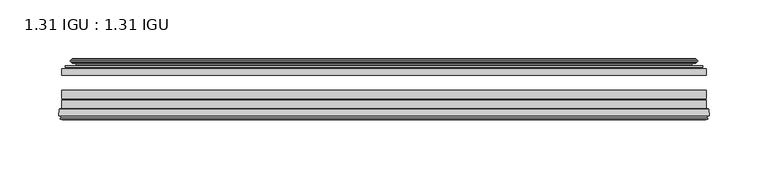
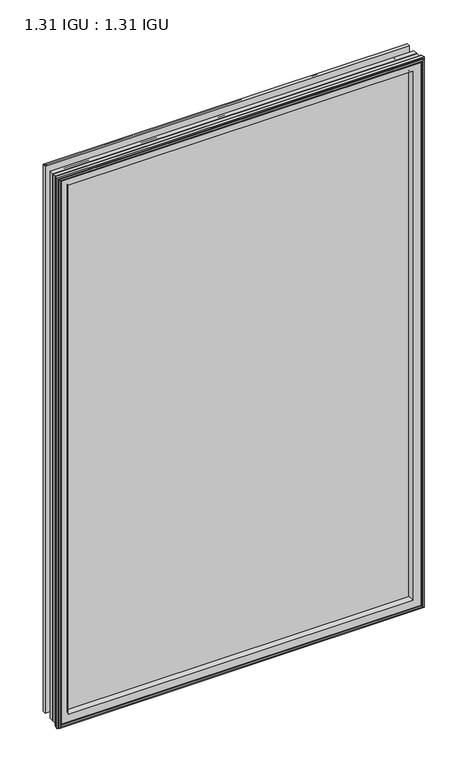
"""IFC4 building model written with IfcOpenShell, lengths in millimetres: plate geometry, 1.31 IGU : 1.31 IGU."""

from ifc_helpers import new_model, si_unit, frame, origin, place, context, project, spatial, polyline, ellipse_curve, outline, extrude, source, transform, mapped, element, save
from ifc_brep_helpers import plane_surface, cylinder_surface, revolved_surface, advanced_brep


def plate_1_31_igu_1_31_igu_84eb48ab(model_context):
    return source(origin(), model_context, "Body", "SolidModel", [
        extrude(outline(polyline([(274.6325649, -44.8960875), (274.6325649, -50.4332875), (-274.6375, -50.4332875), (-274.6375, -44.8960875), (274.6325649, -44.8960875)])), frame((0.0, 0.0, -14.2875), z_axis=(0.0, 0.0, 1.0), x_axis=(1.0, 0.0, 0.0)), (0.0, 0.0, 1.0), 873.1260851),
        extrude(outline(polyline([(-274.6375, -78.7796875), (-274.6375, -71.7692875), (274.6325649, -71.7692875), (274.6325649, -78.7796875), (-274.6375, -78.7796875)])), frame((0.0, 0.0, -14.2875), z_axis=(0.0, 0.0, 1.0), x_axis=(1.0, 0.0, 0.0)), (0.0, 0.0, 1.0), 873.1260851),
        extrude(outline(polyline([(-274.6375, -70.2452875), (-274.6375, -63.1332875), (274.6325649, -63.1332875), (274.6325649, -70.2452875), (-274.6375, -70.2452875)])), frame((0.0, 0.0, -14.2875), z_axis=(0.0, 0.0, 1.0), x_axis=(1.0, 0.0, 0.0)), (0.0, 0.0, 1.0), 873.1260851),
        advanced_brep(
        [(-277.1844039, -85.1296875, 861.385489), (-276.4896201, -79.4711276, 860.6907053), (-276.4896201, -79.4711276, -16.1396201), (-277.1844039, -85.1296875, -16.8344039), (-274.7968039, -87.1207518, 858.997889), (-275.2540039, -85.1296875, 859.455089), (-275.2540039, -85.1296875, -14.9040039), (-274.7968039, -87.1207518, -14.4468039), (-275.7981658, -86.8524376, 859.9992509), (-275.7981658, -86.8524376, -15.4481658), (-276.0414039, -87.7602147, 860.242489), (-276.0414039, -87.7602147, -15.6914039), (-274.0094039, -88.3046875, 858.210489), (-274.0094039, -88.3046875, -13.6594039), (-271.9774039, -87.7602147, 856.178489), (-271.9774039, -87.7602147, -11.6274039), (-272.2206421, -86.8524376, 856.4217272), (-272.2206421, -86.8524376, -11.8706421), (-273.2220039, -87.1207518, 857.423089), (-273.2220039, -87.1207518, -12.8720039), (-272.7648039, -85.1296875, 856.965889), (-272.7648039, -85.1296875, -12.4148039), (-275.7080893, -78.7796875, 859.9091744), (-275.7080893, -78.7796875, -15.3580893), (276.4896201, -79.4711276, -16.1396201), (277.1844039, -85.1296875, -16.8344039), (275.2540039, -85.1296875, -14.9040039), (274.7968039, -87.1207518, -14.4468039), (275.7981658, -86.8524376, -15.4481658), (276.0414039, -87.7602147, -15.6914039), (274.0094039, -88.3046875, -13.6594039), (271.9774039, -87.7602147, -11.6274039), (272.2206421, -86.8524376, -11.8706421), (273.2220039, -87.1207518, -12.8720039), (272.7648039, -85.1296875, -12.4148039), (275.7080893, -78.7796875, -15.3580893), (276.4896201, -79.4711276, 860.6907053), (277.1844039, -85.1296875, 861.385489), (275.2540039, -85.1296875, 859.455089), (274.7968039, -87.1207518, 858.997889), (275.7981658, -86.8524376, 859.9992509), (276.0414039, -87.7602147, 860.242489), (274.0094039, -88.3046875, 858.210489), (271.9774039, -87.7602147, 856.178489), (272.2206421, -86.8524376, 856.4217272), (273.2220039, -87.1207518, 857.423089), (272.7648039, -85.1296875, 856.965889), (275.7080893, -78.7796875, 859.9091744), (-260.3622131, -85.1296875, 844.5632982), (260.3622131, -85.1296875, 844.5632982), (260.3622131, -85.1296875, -0.0122131), (-260.3622131, -85.1296875, -0.0122131), (-257.0459362, -78.7796875, 3.3040638), (257.0459362, -78.7796875, 3.3040638), (257.0459362, -78.7796875, 841.2470213), (-257.0459362, -78.7796875, 841.2470213)],
        [
            (0, 1),
            (1, 2),
            (2, 3),
            (3, 0),
            (4, 5),
            (5, 6),
            (6, 7),
            (7, 4),
            (8, 4),
            (7, 9),
            (9, 8),
            (10, 8),
            (9, 11),
            (11, 10),
            (12, 10),
            (11, 13),
            (13, 12),
            (14, 12),
            (13, 15),
            (15, 14),
            (16, 14),
            (15, 17),
            (17, 16),
            (18, 16),
            (17, 19),
            (19, 18),
            (20, 18),
            (19, 21),
            (21, 20),
            (1, 22, ellipse_curve(frame((-275.7080893, -79.5670875, 859.9091744), z_axis=(-0.7071067811865475, 0.0, -0.7071067811865475), x_axis=(-0.7071067811865474, 0.0, 0.7071067811865476)), 1.1135518, 0.7874)),
            (22, 23),
            (23, 2, ellipse_curve(frame((-275.7080893, -79.5670875, -15.3580893), z_axis=(-0.7071067811865475, 0.0, 0.7071067811865475), x_axis=(0.7071067811865474, 0.0, 0.7071067811865476)), 1.1135518, 0.7874)),
            (2, 24),
            (24, 25),
            (25, 3),
            (6, 26),
            (26, 27),
            (27, 7),
            (27, 28),
            (28, 9),
            (28, 29),
            (29, 11),
            (29, 30),
            (30, 13),
            (30, 31),
            (31, 15),
            (31, 32),
            (32, 17),
            (32, 33),
            (33, 19),
            (33, 34),
            (34, 21),
            (23, 35),
            (35, 24, ellipse_curve(frame((275.7080893, -79.5670875, -15.3580893), z_axis=(-0.7071067811865475, 0.0, -0.7071067811865475), x_axis=(-0.7071067811865476, 0.0, 0.7071067811865474)), 1.1135518, 0.7874)),
            (24, 36),
            (36, 37),
            (37, 25),
            (26, 38),
            (38, 39),
            (39, 27),
            (39, 40),
            (40, 28),
            (40, 41),
            (41, 29),
            (41, 42),
            (42, 30),
            (42, 43),
            (43, 31),
            (43, 44),
            (44, 32),
            (44, 45),
            (45, 33),
            (45, 46),
            (46, 34),
            (35, 47),
            (47, 36, ellipse_curve(frame((275.7080893, -79.5670875, 859.9091744), z_axis=(0.7071067811865475, 0.0, -0.7071067811865475), x_axis=(-0.7071067811865474, 0.0, -0.7071067811865476)), 1.1135518, 0.7874)),
            (36, 1),
            (0, 37),
            (5, 38),
            (4, 39),
            (8, 40),
            (10, 41),
            (12, 42),
            (14, 43),
            (16, 44),
            (18, 45),
            (20, 46),
            (48, 49),
            (49, 50),
            (50, 51),
            (51, 48),
            (22, 47),
            (52, 53),
            (53, 54),
            (54, 55),
            (55, 52),
            (55, 48, ellipse_curve(frame((-249.1129182, -86.963653, 833.3140033), z_axis=(0.7071067811865475, 0.0, 0.7071067811865475), x_axis=(0.7071067811865474, 0.0, -0.7071067811865476)), 16.118937, 11.3978097)),
            (51, 52, ellipse_curve(frame((-249.1129182, -86.963653, 11.2370818), z_axis=(0.7071067811865475, 0.0, -0.7071067811865475), x_axis=(-0.7071067811865474, 0.0, -0.7071067811865476)), 16.118937, 11.3978097)),
            (50, 53, ellipse_curve(frame((249.1129182, -86.963653, 11.2370818), z_axis=(0.7071067811865475, 0.0, 0.7071067811865475), x_axis=(0.7071067811865476, 0.0, -0.7071067811865474)), 16.118937, 11.3978097)),
            (49, 54, ellipse_curve(frame((249.1129182, -86.963653, 833.3140033), z_axis=(-0.7071067811865475, 0.0, 0.7071067811865475), x_axis=(0.7071067811865474, 0.0, 0.7071067811865476)), 16.118937, 11.3978097)),
        ],
        [
            plane_surface(frame((-276.4896201, -79.4711276, 860.6907053), z_axis=(-0.9925461516413008, 0.12186934340532068, 0.0), x_axis=(0.0, 0.0, -1.0))),
            plane_surface(frame((-275.2540039, -85.1296875, 859.455089), z_axis=(-0.9746347637895997, -0.22380142361654332, 0.0), x_axis=(0.0, 0.0, -1.0))),
            plane_surface(frame((-274.7968039, -87.1207518, 858.997889), z_axis=(0.25881904510266784, 0.9659258262890289, 0.0), x_axis=(0.0, 0.0, -1.0))),
            plane_surface(frame((-275.7981658, -86.8524376, 859.9992509), z_axis=(-0.9659258262890449, 0.2588190451026083, 0.0), x_axis=(0.0, 0.0, -1.0))),
            plane_surface(frame((-276.0414039, -87.7602147, 860.242489), z_axis=(-0.2588190451025689, -0.9659258262890554, 0.0), x_axis=(0.0, 0.0, -1.0))),
            plane_surface(frame((-274.0094039, -88.3046875, 858.210489), z_axis=(0.25881904510241466, -0.9659258262890968, 0.0), x_axis=(0.0, 0.0, -1.0))),
            plane_surface(frame((-271.9774039, -87.7602147, 856.178489), z_axis=(0.9659258262890272, 0.25881904510267406, 0.0), x_axis=(0.0, 0.0, -1.0))),
            plane_surface(frame((-272.2206421, -86.8524376, 856.4217272), z_axis=(-0.25881904510234177, 0.9659258262891163, 0.0), x_axis=(0.0, 0.0, -1.0))),
            plane_surface(frame((-273.2220039, -87.1207518, 857.423089), z_axis=(0.9746347637895936, -0.2238014236165695, 0.0), x_axis=(0.0, 0.0, -1.0))),
            cylinder_surface(frame((-275.7080893, -79.5670875, 876.3010851), z_axis=(0.0, 0.0, 1.0), x_axis=(-1.0, 0.0, 0.0)), 0.7874),
            plane_surface(frame((-276.4896201, -79.4711276, -16.1396201), z_axis=(0.0, 0.12186934340531747, -0.9925461516413012), x_axis=(1.0, 0.0, 0.0))),
            plane_surface(frame((-275.2540039, -85.1296875, -14.9040039), z_axis=(0.0, -0.22380142361654648, -0.9746347637895989), x_axis=(1.0, 0.0, 0.0))),
            plane_surface(frame((-274.7968039, -87.1207518, -14.4468039), z_axis=(0.0, 0.9659258262890298, 0.25881904510266474), x_axis=(1.0, 0.0, 0.0))),
            plane_surface(frame((-275.7981658, -86.8524376, -15.4481658), z_axis=(0.0, 0.25881904510260517, -0.9659258262890458), x_axis=(1.0, 0.0, 0.0))),
            plane_surface(frame((-276.0414039, -87.7602147, -15.6914039), z_axis=(0.0, -0.9659258262890563, -0.2588190451025658), x_axis=(1.0, 0.0, 0.0))),
            plane_surface(frame((-274.0094039, -88.3046875, -13.6594039), z_axis=(0.0, -0.965925826289096, 0.25881904510241777), x_axis=(1.0, 0.0, 0.0))),
            plane_surface(frame((-271.9774039, -87.7602147, -11.6274039), z_axis=(0.0, 0.2588190451026772, 0.9659258262890265), x_axis=(1.0, 0.0, 0.0))),
            plane_surface(frame((-272.2206421, -86.8524376, -11.8706421), z_axis=(0.0, 0.9659258262891154, -0.2588190451023449), x_axis=(1.0, 0.0, 0.0))),
            plane_surface(frame((-273.2220039, -87.1207518, -12.8720039), z_axis=(0.0, -0.22380142361656633, 0.9746347637895943), x_axis=(1.0, 0.0, 0.0))),
            cylinder_surface(frame((-292.1, -79.5670875, -15.3580893), z_axis=(-1.0, 0.0, 0.0), x_axis=(0.0, 0.0, -1.0)), 0.7874),
            plane_surface(frame((276.4896201, -79.4711276, -16.1396201), z_axis=(0.9925461516413017, 0.12186934340531425, 0.0), x_axis=(0.0, 0.0, 1.0))),
            plane_surface(frame((275.2540039, -85.1296875, -14.9040039), z_axis=(0.9746347637895981, -0.22380142361654964, 0.0), x_axis=(0.0, 0.0, 1.0))),
            plane_surface(frame((274.7968039, -87.1207518, -14.4468039), z_axis=(-0.2588190451026616, 0.9659258262890307, 0.0), x_axis=(0.0, 0.0, 1.0))),
            plane_surface(frame((275.7981658, -86.8524376, -15.4481658), z_axis=(0.9659258262890467, 0.25881904510260206, 0.0), x_axis=(0.0, 0.0, 1.0))),
            plane_surface(frame((276.0414039, -87.7602147, -15.6914039), z_axis=(0.2588190451025627, -0.9659258262890572, 0.0), x_axis=(0.0, 0.0, 1.0))),
            plane_surface(frame((274.0094039, -88.3046875, -13.6594039), z_axis=(-0.2588190451024209, -0.9659258262890951, 0.0), x_axis=(0.0, 0.0, 1.0))),
            plane_surface(frame((271.9774039, -87.7602147, -11.6274039), z_axis=(-0.9659258262890256, 0.25881904510268033, 0.0), x_axis=(0.0, 0.0, 1.0))),
            plane_surface(frame((272.2206421, -86.8524376, -11.8706421), z_axis=(0.25881904510234804, 0.9659258262891146, 0.0), x_axis=(0.0, 0.0, 1.0))),
            plane_surface(frame((273.2220039, -87.1207518, -12.8720039), z_axis=(-0.9746347637895951, -0.22380142361656316, 0.0), x_axis=(0.0, 0.0, 1.0))),
            cylinder_surface(frame((275.7080893, -79.5670875, -31.75), z_axis=(0.0, 0.0, -1.0), x_axis=(1.0, 0.0, 0.0)), 0.7874),
            plane_surface(frame((276.4896201, -79.4711276, 860.6907053), z_axis=(0.0, 0.12186934340531747, 0.9925461516413012), x_axis=(-1.0, 0.0, 0.0))),
            plane_surface(frame((277.1844039, -85.1296875, 861.385489), z_axis=(0.0, -1.0, 0.0), x_axis=(-1.0, 0.0, 0.0))),
            plane_surface(frame((275.2540039, -85.1296875, 859.455089), z_axis=(0.0, -0.22380142361654648, 0.9746347637895989), x_axis=(-1.0, 0.0, 0.0))),
            plane_surface(frame((274.7968039, -87.1207518, 858.997889), z_axis=(0.0, 0.9659258262890298, -0.25881904510266474), x_axis=(-1.0, 0.0, 0.0))),
            plane_surface(frame((275.7981658, -86.8524376, 859.9992509), z_axis=(0.0, 0.25881904510260517, 0.9659258262890458), x_axis=(-1.0, 0.0, 0.0))),
            plane_surface(frame((276.0414039, -87.7602147, 860.242489), z_axis=(0.0, -0.9659258262890563, 0.2588190451025658), x_axis=(-1.0, 0.0, 0.0))),
            plane_surface(frame((274.0094039, -88.3046875, 858.210489), z_axis=(0.0, -0.965925826289096, -0.25881904510241777), x_axis=(-1.0, 0.0, 0.0))),
            plane_surface(frame((271.9774039, -87.7602147, 856.178489), z_axis=(0.0, 0.2588190451026772, -0.9659258262890265), x_axis=(-1.0, 0.0, 0.0))),
            plane_surface(frame((272.2206421, -86.8524376, 856.4217272), z_axis=(0.0, 0.9659258262891155, 0.25881904510234494), x_axis=(-1.0, 0.0, 0.0))),
            plane_surface(frame((273.2220039, -87.1207518, 857.423089), z_axis=(0.0, -0.22380142361656633, -0.9746347637895943), x_axis=(-1.0, 0.0, 0.0))),
            plane_surface(frame((272.7648039, -85.1296875, 856.965889), z_axis=(0.0, -1.0, 0.0), x_axis=(-1.0, 0.0, 0.0))),
            plane_surface(frame((257.0459362, -78.7796875, 841.2470213), z_axis=(0.0, 1.0, 0.0), x_axis=(-1.0, 0.0, 0.0))),
            cylinder_surface(frame((292.1, -79.5670875, 859.9091744), z_axis=(1.0, 0.0, 0.0), x_axis=(0.0, 0.0, 1.0)), 0.7874),
            revolved_surface(polyline([(-260.5107279, -86.963653, -0.1607278582187064), (-260.5107279, -86.963653, 844.7118129582187)]), (-249.1129182, -86.963653, 876.3010851), (0.0, 0.0, -1.0)),
            revolved_surface(polyline([(260.51072785821873, -86.963653, -0.16072789999999948), (-260.51072785821873, -86.963653, -0.16072789999999948)]), (-292.1, -86.963653, 11.2370818), (1.0, 0.0, 0.0)),
            revolved_surface(polyline([(260.5107279, -86.963653, 844.7118129582187), (260.5107279, -86.963653, -0.16072785821874191)]), (249.1129182, -86.963653, -31.75), (0.0, 0.0, 1.0)),
            revolved_surface(polyline([(-260.51072785821873, -86.963653, 844.711813), (260.51072785821873, -86.963653, 844.711813)]), (292.1, -86.963653, 833.3140033), (-1.0, 0.0, 0.0)),
        ],
        [
            (0, [[1, 2, 3, 4]]),
            (1, [[5, 6, 7, 8]]),
            (2, [[9, -8, 10, 11]]),
            (3, [[12, -11, 13, 14]]),
            (4, [[15, -14, 16, 17]]),
            (5, [[18, -17, 19, 20]]),
            (6, [[21, -20, 22, 23]]),
            (7, [[24, -23, 25, 26]]),
            (8, [[27, -26, 28, 29]]),
            (9, [[30, 31, 32, -2]]),
            (10, [[-3, 33, 34, 35]]),
            (11, [[-7, 36, 37, 38]]),
            (12, [[-10, -38, 39, 40]]),
            (13, [[-13, -40, 41, 42]]),
            (14, [[-16, -42, 43, 44]]),
            (15, [[-19, -44, 45, 46]]),
            (16, [[-22, -46, 47, 48]]),
            (17, [[-25, -48, 49, 50]]),
            (18, [[-28, -50, 51, 52]]),
            (19, [[-32, 53, 54, -33]]),
            (20, [[-34, 55, 56, 57]]),
            (21, [[-37, 58, 59, 60]]),
            (22, [[-39, -60, 61, 62]]),
            (23, [[-41, -62, 63, 64]]),
            (24, [[-43, -64, 65, 66]]),
            (25, [[-45, -66, 67, 68]]),
            (26, [[-47, -68, 69, 70]]),
            (27, [[-49, -70, 71, 72]]),
            (28, [[-51, -72, 73, 74]]),
            (29, [[-54, 75, 76, -55]]),
            (30, [[-56, 77, -1, 78]]),
            (31, [[-35, -57, -78, -4], [79, -58, -36, -6]]),
            (32, [[-59, -79, -5, 80]]),
            (33, [[-61, -80, -9, 81]]),
            (34, [[-63, -81, -12, 82]]),
            (35, [[-65, -82, -15, 83]]),
            (36, [[-67, -83, -18, 84]]),
            (37, [[-69, -84, -21, 85]]),
            (38, [[-71, -85, -24, 86]]),
            (39, [[-73, -86, -27, 87]]),
            (40, [[-52, -74, -87, -29], [88, 89, 90, 91]]),
            (41, [[92, -75, -53, -31], [93, 94, 95, 96]]),
            (42, [[-76, -92, -30, -77]]),
            (43, [[97, -91, 98, -96]]),
            (44, [[-98, -90, 99, -93]]),
            (45, [[-99, -89, 100, -94]]),
            (46, [[-100, -88, -97, -95]]),
        ],
    ),
        advanced_brep(
        [(-265.2921755, -37.7373382, 849.4932606), (-260.3505426, -36.3108875, 844.5516277), (-260.3505426, -36.3108875, -0.0005426), (-265.2921755, -37.7373382, -4.9421755), (-265.1270702, -36.9605789, 849.3281553), (-265.1270702, -36.9605789, -4.7770702), (-265.7225559, -36.4771203, 849.923641), (-265.7225559, -36.4771203, -5.3725559), (-266.9871917, -37.766076, 851.1882768), (-266.9871917, -37.766076, -6.6371917), (-266.9763749, -38.8797852, 851.17746), (-266.9763749, -38.8797852, -6.6263749), (-265.6948897, -40.1361433, 849.8959748), (-265.6948897, -40.1361433, -5.3448897), (-265.0898829, -39.649943, 849.290968), (-265.0898829, -39.649943, -4.7398829), (-265.6438972, -39.0959287, 849.8449823), (-265.6438972, -39.0959287, -5.2938972), (-263.3580887, -38.7029881, 847.5591739), (-263.3580887, -38.7029881, -3.0080887), (-261.8990157, -40.2107282, 846.1001008), (-261.8990157, -40.2107282, -1.5490157), (-262.1955976, -41.651269, 846.3966827), (-262.1955976, -41.651269, -1.8455976), (-262.9668221, -42.2798875, 847.1679072), (-262.9668221, -42.2798875, -2.6168221), (-271.2707984, -43.4871542, 855.4718835), (-270.9955969, -42.2798875, 855.1966821), (-270.9955969, -42.2798875, -10.6455969), (-271.2707984, -43.4871542, -10.9207984), (-267.8132297, -44.8960875, 852.0143149), (-267.8132297, -44.8960875, -7.4632297), (-256.7156059, -44.023302, 840.9166911), (-257.0709439, -44.8960875, 841.272029), (-257.0709439, -44.8960875, 3.2790561), (-256.7156059, -44.023302, 3.6343941), (-257.386804, -43.3681812, 841.5878891), (-257.386804, -43.3681812, 2.963196), (-259.0275946, -40.6686056, 843.2286797), (-259.0275946, -40.6686056, 1.3224054), (260.3505426, -36.3108875, -0.0005426), (265.2921755, -37.7373382, -4.9421755), (265.1270702, -36.9605789, -4.7770702), (265.7225559, -36.4771203, -5.3725559), (266.9871917, -37.766076, -6.6371917), (266.9763749, -38.8797852, -6.6263749), (265.6948897, -40.1361433, -5.3448897), (265.0898829, -39.649943, -4.7398829), (265.6438972, -39.0959287, -5.2938972), (263.3580887, -38.7029881, -3.0080887), (261.8990157, -40.2107282, -1.5490157), (262.1955976, -41.651269, -1.8455976), (262.9668221, -42.2798875, -2.6168221), (270.9955969, -42.2798875, -10.6455969), (271.2707984, -43.4871542, -10.9207984), (267.8132297, -44.8960875, -7.4632297), (257.0709439, -44.8960875, 3.2790561), (256.7156059, -44.023302, 3.6343941), (257.386804, -43.3681812, 2.963196), (259.0275946, -40.6686056, 1.3224054), (260.3505426, -36.3108875, 844.5516277), (265.2921755, -37.7373382, 849.4932606), (265.1270702, -36.9605789, 849.3281553), (265.7225559, -36.4771203, 849.923641), (266.9871917, -37.766076, 851.1882768), (266.9763749, -38.8797852, 851.17746), (265.6948897, -40.1361433, 849.8959748), (265.0898829, -39.649943, 849.290968), (265.6438972, -39.0959287, 849.8449823), (263.3580887, -38.7029881, 847.5591739), (261.8990157, -40.2107282, 846.1001008), (262.1955976, -41.651269, 846.3966827), (262.9668221, -42.2798875, 847.1679072), (270.9955969, -42.2798875, 855.1966821), (271.2707984, -43.4871542, 855.4718835), (267.8132297, -44.8960875, 852.0143149), (257.0709439, -44.8960875, 841.272029), (256.7156059, -44.023302, 840.9166911), (257.386804, -43.3681812, 841.5878891), (259.0275946, -40.6686056, 843.2286797)],
        [
            (0, 1),
            (1, 2),
            (2, 3),
            (3, 0),
            (4, 0),
            (3, 5),
            (5, 4),
            (6, 4, ellipse_curve(frame((-265.4475871, -36.746901, 849.6486723), z_axis=(-0.7071067811865475, 0.0, -0.7071067811865475), x_axis=(-0.7071067811865474, 0.0, 0.7071067811865476)), 0.5447741, 0.3852135)),
            (5, 7, ellipse_curve(frame((-265.4475871, -36.746901, -5.0975871), z_axis=(-0.7071067811865475, 0.0, 0.7071067811865475), x_axis=(0.7071067811865474, 0.0, 0.7071067811865476)), 0.5447741, 0.3852135)),
            (7, 6),
            (8, 6),
            (7, 9),
            (9, 8),
            (10, 8, ellipse_curve(frame((-266.4251387, -38.3175243, 850.6262238), z_axis=(-0.7071067811865475, 0.0, -0.7071067811865475), x_axis=(-0.7071067811865474, 0.0, 0.7071067811865476)), 1.1135518, 0.7874)),
            (9, 11, ellipse_curve(frame((-266.4251387, -38.3175243, -6.0751387), z_axis=(-0.7071067811865475, 0.0, 0.7071067811865475), x_axis=(0.7071067811865474, 0.0, 0.7071067811865476)), 1.1135518, 0.7874)),
            (11, 10),
            (12, 10),
            (11, 13),
            (13, 12),
            (14, 12, ellipse_curve(frame((-265.4212922, -39.8570738, 849.6223773), z_axis=(-0.7071067811865475, 0.0, -0.7071067811865475), x_axis=(-0.7071067811865474, 0.0, 0.7071067811865476)), 0.552694, 0.3908137)),
            (13, 15, ellipse_curve(frame((-265.4212922, -39.8570738, -5.0712922), z_axis=(-0.7071067811865475, 0.0, 0.7071067811865475), x_axis=(0.7071067811865474, 0.0, 0.7071067811865476)), 0.552694, 0.3908137)),
            (15, 14),
            (16, 14),
            (15, 17),
            (17, 16),
            (18, 16),
            (17, 19),
            (19, 18),
            (20, 18, ellipse_curve(frame((-263.1429261, -39.954629, 847.3440112), z_axis=(0.7071067811865475, 0.0, 0.7071067811865475), x_axis=(0.7071067811865474, 0.0, -0.7071067811865476)), 1.7960512, 1.27)),
            (19, 21, ellipse_curve(frame((-263.1429261, -39.954629, -2.7929261), z_axis=(0.7071067811865475, 0.0, -0.7071067811865475), x_axis=(-0.7071067811865474, 0.0, -0.7071067811865476)), 1.7960512, 1.27)),
            (21, 20),
            (22, 20),
            (21, 23),
            (23, 22),
            (24, 22, ellipse_curve(frame((-262.9668221, -41.4924875, 847.1679072), z_axis=(0.7071067811865475, 0.0, 0.7071067811865475), x_axis=(0.7071067811865474, 0.0, -0.7071067811865476)), 1.1135518, 0.7874)),
            (23, 25, ellipse_curve(frame((-262.9668221, -41.4924875, -2.6168221), z_axis=(0.7071067811865475, 0.0, -0.7071067811865475), x_axis=(-0.7071067811865474, 0.0, -0.7071067811865476)), 1.1135518, 0.7874)),
            (25, 24),
            (26, 27, ellipse_curve(frame((-270.9955969, -42.9148875, 855.1966821), z_axis=(-0.7071067811865475, 0.0, -0.7071067811865475), x_axis=(-0.7071067811865474, 0.0, 0.7071067811865476)), 0.8980256, 0.635)),
            (27, 28),
            (28, 29, ellipse_curve(frame((-270.9955969, -42.9148875, -10.6455969), z_axis=(-0.7071067811865475, 0.0, 0.7071067811865475), x_axis=(0.7071067811865474, 0.0, 0.7071067811865476)), 0.8980256, 0.635)),
            (29, 26),
            (30, 26),
            (29, 31),
            (31, 30),
            (32, 33, ellipse_curve(frame((-257.0709439, -44.3873602, 841.272029), z_axis=(-0.7071067811865475, 0.0, -0.7071067811865475), x_axis=(-0.7071067811865474, 0.0, 0.7071067811865476)), 0.719449, 0.5087273)),
            (33, 34),
            (34, 35, ellipse_curve(frame((-257.0709439, -44.3873602, 3.2790561), z_axis=(-0.7071067811865475, 0.0, 0.7071067811865475), x_axis=(0.7071067811865474, 0.0, 0.7071067811865476)), 0.719449, 0.5087273)),
            (35, 32),
            (36, 32),
            (35, 37),
            (37, 36),
            (38, 36, ellipse_curve(frame((-252.9514298, -38.823959, 837.1525149), z_axis=(0.7071067811865475, 0.0, 0.7071067811865475), x_axis=(0.7071067811865474, 0.0, -0.7071067811865476)), 8.9802561, 6.35)),
            (37, 39, ellipse_curve(frame((-252.9514298, -38.823959, 7.3985702), z_axis=(0.7071067811865475, 0.0, -0.7071067811865475), x_axis=(-0.7071067811865474, 0.0, -0.7071067811865476)), 8.9802561, 6.35)),
            (39, 38),
            (1, 38),
            (39, 2),
            (2, 40),
            (40, 41),
            (41, 3),
            (41, 42),
            (42, 5),
            (42, 43, ellipse_curve(frame((265.4475871, -36.746901, -5.0975871), z_axis=(-0.7071067811865475, 0.0, -0.7071067811865475), x_axis=(-0.7071067811865476, 0.0, 0.7071067811865474)), 0.5447741, 0.3852135)),
            (43, 7),
            (43, 44),
            (44, 9),
            (44, 45, ellipse_curve(frame((266.4251387, -38.3175243, -6.0751387), z_axis=(-0.7071067811865475, 0.0, -0.7071067811865475), x_axis=(-0.7071067811865476, 0.0, 0.7071067811865474)), 1.1135518, 0.7874)),
            (45, 11),
            (45, 46),
            (46, 13),
            (46, 47, ellipse_curve(frame((265.4212922, -39.8570738, -5.0712922), z_axis=(-0.7071067811865475, 0.0, -0.7071067811865475), x_axis=(-0.7071067811865476, 0.0, 0.7071067811865474)), 0.552694, 0.3908137)),
            (47, 15),
            (47, 48),
            (48, 17),
            (48, 49),
            (49, 19),
            (49, 50, ellipse_curve(frame((263.1429261, -39.954629, -2.7929261), z_axis=(0.7071067811865475, 0.0, 0.7071067811865475), x_axis=(0.7071067811865476, 0.0, -0.7071067811865474)), 1.7960512, 1.27)),
            (50, 21),
            (50, 51),
            (51, 23),
            (51, 52, ellipse_curve(frame((262.9668221, -41.4924875, -2.6168221), z_axis=(0.7071067811865475, 0.0, 0.7071067811865475), x_axis=(0.7071067811865476, 0.0, -0.7071067811865474)), 1.1135518, 0.7874)),
            (52, 25),
            (28, 53),
            (53, 54, ellipse_curve(frame((270.9955969, -42.9148875, -10.6455969), z_axis=(-0.7071067811865475, 0.0, -0.7071067811865475), x_axis=(-0.7071067811865476, 0.0, 0.7071067811865474)), 0.8980256, 0.635)),
            (54, 29),
            (54, 55),
            (55, 31),
            (34, 56),
            (56, 57, ellipse_curve(frame((257.0709439, -44.3873602, 3.2790561), z_axis=(-0.7071067811865475, 0.0, -0.7071067811865475), x_axis=(-0.7071067811865476, 0.0, 0.7071067811865474)), 0.719449, 0.5087273)),
            (57, 35),
            (57, 58),
            (58, 37),
            (58, 59, ellipse_curve(frame((252.9514298, -38.823959, 7.3985702), z_axis=(0.7071067811865475, 0.0, 0.7071067811865475), x_axis=(0.7071067811865476, 0.0, -0.7071067811865474)), 8.9802561, 6.35)),
            (59, 39),
            (59, 40),
            (40, 60),
            (60, 61),
            (61, 41),
            (61, 62),
            (62, 42),
            (62, 63, ellipse_curve(frame((265.4475871, -36.746901, 849.6486723), z_axis=(0.7071067811865475, 0.0, -0.7071067811865475), x_axis=(-0.7071067811865474, 0.0, -0.7071067811865476)), 0.5447741, 0.3852135)),
            (63, 43),
            (63, 64),
            (64, 44),
            (64, 65, ellipse_curve(frame((266.4251387, -38.3175243, 850.6262238), z_axis=(0.7071067811865475, 0.0, -0.7071067811865475), x_axis=(-0.7071067811865474, 0.0, -0.7071067811865476)), 1.1135518, 0.7874)),
            (65, 45),
            (65, 66),
            (66, 46),
            (66, 67, ellipse_curve(frame((265.4212922, -39.8570738, 849.6223773), z_axis=(0.7071067811865475, 0.0, -0.7071067811865475), x_axis=(-0.7071067811865474, 0.0, -0.7071067811865476)), 0.552694, 0.3908137)),
            (67, 47),
            (67, 68),
            (68, 48),
            (68, 69),
            (69, 49),
            (69, 70, ellipse_curve(frame((263.1429261, -39.954629, 847.3440112), z_axis=(-0.7071067811865475, 0.0, 0.7071067811865475), x_axis=(0.7071067811865474, 0.0, 0.7071067811865476)), 1.7960512, 1.27)),
            (70, 50),
            (70, 71),
            (71, 51),
            (71, 72, ellipse_curve(frame((262.9668221, -41.4924875, 847.1679072), z_axis=(-0.7071067811865475, 0.0, 0.7071067811865475), x_axis=(0.7071067811865474, 0.0, 0.7071067811865476)), 1.1135518, 0.7874)),
            (72, 52),
            (53, 73),
            (73, 74, ellipse_curve(frame((270.9955969, -42.9148875, 855.1966821), z_axis=(0.7071067811865475, 0.0, -0.7071067811865475), x_axis=(-0.7071067811865474, 0.0, -0.7071067811865476)), 0.8980256, 0.635)),
            (74, 54),
            (74, 75),
            (75, 55),
            (56, 76),
            (76, 77, ellipse_curve(frame((257.0709439, -44.3873602, 841.272029), z_axis=(0.7071067811865475, 0.0, -0.7071067811865475), x_axis=(-0.7071067811865474, 0.0, -0.7071067811865476)), 0.719449, 0.5087273)),
            (77, 57),
            (77, 78),
            (78, 58),
            (78, 79, ellipse_curve(frame((252.9514298, -38.823959, 837.1525149), z_axis=(-0.7071067811865475, 0.0, 0.7071067811865475), x_axis=(0.7071067811865474, 0.0, 0.7071067811865476)), 8.9802561, 6.35)),
            (79, 59),
            (79, 60),
            (60, 1),
            (0, 61),
            (4, 62),
            (6, 63),
            (8, 64),
            (10, 65),
            (12, 66),
            (14, 67),
            (16, 68),
            (18, 69),
            (20, 70),
            (22, 71),
            (24, 72),
            (27, 73),
            (26, 74),
            (30, 75),
            (33, 76),
            (32, 77),
            (36, 78),
            (38, 79),
        ],
        [
            plane_surface(frame((-260.3505426, -36.3108875, 844.5516277), z_axis=(-0.27733649284928463, 0.9607728502273879, 0.0), x_axis=(0.0, 0.0, -1.0))),
            plane_surface(frame((-265.2921755, -37.7373382, 849.4932606), z_axis=(0.9781476007338358, -0.2079116908176177, 0.0), x_axis=(0.0, 0.0, -1.0))),
            cylinder_surface(frame((-265.4475871, -36.746901, 876.3010851), z_axis=(0.0, 0.0, 1.0), x_axis=(-1.0, 0.0, 0.0)), 0.3852135),
            plane_surface(frame((-265.7225559, -36.4771203, 849.923641), z_axis=(-0.7138087599382162, 0.7003406701280928, 0.0), x_axis=(0.0, 0.0, -1.0))),
            cylinder_surface(frame((-266.4251387, -38.3175243, 876.3010851), z_axis=(0.0, 0.0, 1.0), x_axis=(-1.0, 0.0, 0.0)), 0.7874),
            plane_surface(frame((-266.9763749, -38.8797852, 851.17746), z_axis=(-0.7000714109283732, -0.7140728391423082, 0.0), x_axis=(0.0, 0.0, -1.0))),
            cylinder_surface(frame((-265.4212922, -39.8570738, 876.3010851), z_axis=(0.0, 0.0, 1.0), x_axis=(-1.0, 0.0, 0.0)), 0.3908137),
            plane_surface(frame((-265.0898829, -39.649943, 849.290968), z_axis=(0.7071067811861126, 0.7071067811869826, 0.0), x_axis=(0.0, 0.0, -1.0))),
            plane_surface(frame((-265.6438972, -39.0959287, 849.8449823), z_axis=(0.16941940671011482, -0.9855440449974789, 0.0), x_axis=(0.0, 0.0, -1.0))),
            revolved_surface(polyline([(-264.4129261, -39.954629, -4.0629260828783345), (-264.4129261, -39.954629, 848.6140111828782)]), (-263.1429261, -39.954629, 876.3010851), (0.0, 0.0, -1.0)),
            plane_surface(frame((-261.8990157, -40.2107282, 846.1001008), z_axis=(-0.9794570432566897, 0.201652920670302, 0.0), x_axis=(0.0, 0.0, -1.0))),
            revolved_surface(polyline([(-263.7542221, -41.4924875, -3.4042221289824965), (-263.7542221, -41.4924875, 847.9553072289824)]), (-262.9668221, -41.4924875, 876.3010851), (0.0, 0.0, -1.0)),
            cylinder_surface(frame((-270.9955969, -42.9148875, 876.3010851), z_axis=(0.0, 0.0, 1.0), x_axis=(-1.0, 0.0, 0.0)), 0.635),
            plane_surface(frame((-271.2707984, -43.4871542, 855.4718835), z_axis=(-0.37736447542757934, -0.9260648209954139, 0.0), x_axis=(0.0, 0.0, -1.0))),
            cylinder_surface(frame((-257.0709439, -44.3873602, 876.3010851), z_axis=(0.0, 0.0, 1.0), x_axis=(-1.0, 0.0, 0.0)), 0.5087273),
            plane_surface(frame((-256.7156059, -44.023302, 840.9166911), z_axis=(0.698484125849927, 0.7156255486884628, 0.0), x_axis=(0.0, 0.0, -1.0))),
            revolved_surface(polyline([(-259.3014298, -38.823959, 1.0485702148981773), (-259.3014298, -38.823959, 843.5025148851018)]), (-252.9514298, -38.823959, 876.3010851), (0.0, 0.0, -1.0)),
            plane_surface(frame((-259.0275946, -40.6686056, 843.2286797), z_axis=(0.9568763473517009, 0.2904955350411895, 0.0), x_axis=(0.0, 0.0, -1.0))),
            plane_surface(frame((-260.3505426, -36.3108875, -0.0005426), z_axis=(0.0, 0.960772850227387, -0.27733649284928774), x_axis=(1.0, 0.0, 0.0))),
            plane_surface(frame((-265.2921755, -37.7373382, -4.9421755), z_axis=(0.0, -0.20791169081761454, 0.9781476007338364), x_axis=(1.0, 0.0, 0.0))),
            cylinder_surface(frame((-292.1, -36.746901, -5.0975871), z_axis=(-1.0, 0.0, 0.0), x_axis=(0.0, 0.0, -1.0)), 0.3852135),
            plane_surface(frame((-265.7225559, -36.4771203, -5.3725559), z_axis=(0.0, 0.7003406701280904, -0.7138087599382185), x_axis=(1.0, 0.0, 0.0))),
            cylinder_surface(frame((-292.1, -38.3175243, -6.0751387), z_axis=(-1.0, 0.0, 0.0), x_axis=(0.0, 0.0, -1.0)), 0.7874),
            plane_surface(frame((-266.9763749, -38.8797852, -6.6263749), z_axis=(0.0, -0.7140728391423105, -0.7000714109283709), x_axis=(1.0, 0.0, 0.0))),
            cylinder_surface(frame((-292.1, -39.8570738, -5.0712922), z_axis=(-1.0, 0.0, 0.0), x_axis=(0.0, 0.0, -1.0)), 0.3908137),
            plane_surface(frame((-265.0898829, -39.649943, -4.7398829), z_axis=(0.0, 0.7071067811869849, 0.7071067811861103), x_axis=(1.0, 0.0, 0.0))),
            plane_surface(frame((-265.6438972, -39.0959287, -5.2938972), z_axis=(0.0, -0.9855440449974784, 0.16941940671011801), x_axis=(1.0, 0.0, 0.0))),
            revolved_surface(polyline([(264.41292608287824, -39.954629, -4.0629261), (-264.41292608287824, -39.954629, -4.0629261)]), (-292.1, -39.954629, -2.7929261), (1.0, 0.0, 0.0)),
            plane_surface(frame((-261.8990157, -40.2107282, -1.5490157), z_axis=(0.0, 0.20165292067029883, -0.9794570432566904), x_axis=(1.0, 0.0, 0.0))),
            revolved_surface(polyline([(263.7542221289825, -41.4924875, -3.4042220999999997), (-263.75422212898246, -41.4924875, -3.4042220999999997)]), (-292.1, -41.4924875, -2.6168221), (1.0, 0.0, 0.0)),
            cylinder_surface(frame((-292.1, -42.9148875, -10.6455969), z_axis=(-1.0, 0.0, 0.0), x_axis=(0.0, 0.0, -1.0)), 0.635),
            plane_surface(frame((-271.2707984, -43.4871542, -10.9207984), z_axis=(0.0, -0.9260648209954151, -0.37736447542757634), x_axis=(1.0, 0.0, 0.0))),
            cylinder_surface(frame((-292.1, -44.3873602, 3.2790561), z_axis=(-1.0, 0.0, 0.0), x_axis=(0.0, 0.0, -1.0)), 0.5087273),
            plane_surface(frame((-256.7156059, -44.023302, 3.6343941), z_axis=(0.0, 0.7156255486884651, 0.6984841258499247), x_axis=(1.0, 0.0, 0.0))),
            revolved_surface(polyline([(259.30142978510185, -38.823959, 1.0485702000000003), (-259.30142978510185, -38.823959, 1.0485702000000003)]), (-292.1, -38.823959, 7.3985702), (1.0, 0.0, 0.0)),
            plane_surface(frame((-259.0275946, -40.6686056, 1.3224054), z_axis=(0.0, 0.29049553504119263, 0.9568763473517), x_axis=(1.0, 0.0, 0.0))),
            plane_surface(frame((260.3505426, -36.3108875, -0.0005426), z_axis=(0.27733649284929085, 0.9607728502273861, 0.0), x_axis=(0.0, 0.0, 1.0))),
            plane_surface(frame((265.2921755, -37.7373382, -4.9421755), z_axis=(-0.9781476007338371, -0.20791169081761138, 0.0), x_axis=(0.0, 0.0, 1.0))),
            cylinder_surface(frame((265.4475871, -36.746901, -31.75), z_axis=(0.0, 0.0, -1.0), x_axis=(1.0, 0.0, 0.0)), 0.3852135),
            plane_surface(frame((265.7225559, -36.4771203, -5.3725559), z_axis=(0.7138087599382208, 0.7003406701280882, 0.0), x_axis=(0.0, 0.0, 1.0))),
            cylinder_surface(frame((266.4251387, -38.3175243, -31.75), z_axis=(0.0, 0.0, -1.0), x_axis=(1.0, 0.0, 0.0)), 0.7874),
            plane_surface(frame((266.9763749, -38.8797852, -6.6263749), z_axis=(0.7000714109283687, -0.7140728391423128, 0.0), x_axis=(0.0, 0.0, 1.0))),
            cylinder_surface(frame((265.4212922, -39.8570738, -31.75), z_axis=(0.0, 0.0, -1.0), x_axis=(1.0, 0.0, 0.0)), 0.3908137),
            plane_surface(frame((265.0898829, -39.649943, -4.7398829), z_axis=(-0.7071067811861079, 0.7071067811869872, 0.0), x_axis=(0.0, 0.0, 1.0))),
            plane_surface(frame((265.6438972, -39.0959287, -5.2938972), z_axis=(-0.1694194067101212, -0.9855440449974778, 0.0), x_axis=(0.0, 0.0, 1.0))),
            revolved_surface(polyline([(264.4129261, -39.954629, 848.6140111828782), (264.4129261, -39.954629, -4.062926082878235)]), (263.1429261, -39.954629, -31.75), (0.0, 0.0, 1.0)),
            plane_surface(frame((261.8990157, -40.2107282, -1.5490157), z_axis=(0.979457043256691, 0.20165292067029567, 0.0), x_axis=(0.0, 0.0, 1.0))),
            revolved_surface(polyline([(263.7542221, -41.4924875, 847.9553072289824), (263.7542221, -41.4924875, -3.404222128982486)]), (262.9668221, -41.4924875, -31.75), (0.0, 0.0, 1.0)),
            cylinder_surface(frame((270.9955969, -42.9148875, -31.75), z_axis=(0.0, 0.0, -1.0), x_axis=(1.0, 0.0, 0.0)), 0.635),
            plane_surface(frame((271.2707984, -43.4871542, -10.9207984), z_axis=(0.37736447542757334, -0.9260648209954163, 0.0), x_axis=(0.0, 0.0, 1.0))),
            cylinder_surface(frame((257.0709439, -44.3873602, -31.75), z_axis=(0.0, 0.0, -1.0), x_axis=(1.0, 0.0, 0.0)), 0.5087273),
            plane_surface(frame((256.7156059, -44.023302, 3.6343941), z_axis=(-0.6984841258499224, 0.7156255486884673, 0.0), x_axis=(0.0, 0.0, 1.0))),
            revolved_surface(polyline([(259.3014298, -38.823959, 843.5025148851018), (259.3014298, -38.823959, 1.0485702148981417)]), (252.9514298, -38.823959, -31.75), (0.0, 0.0, 1.0)),
            plane_surface(frame((259.0275946, -40.6686056, 1.3224054), z_axis=(-0.9568763473516991, 0.29049553504119574, 0.0), x_axis=(0.0, 0.0, 1.0))),
            plane_surface(frame((260.3505426, -36.3108875, 844.5516277), z_axis=(0.0, 0.960772850227387, 0.27733649284928774), x_axis=(-1.0, 0.0, 0.0))),
            plane_surface(frame((265.2921755, -37.7373382, 849.4932606), z_axis=(0.0, -0.20791169081761454, -0.9781476007338364), x_axis=(-1.0, 0.0, 0.0))),
            cylinder_surface(frame((292.1, -36.746901, 849.6486723), z_axis=(1.0, 0.0, 0.0), x_axis=(0.0, 0.0, 1.0)), 0.3852135),
            plane_surface(frame((265.7225559, -36.4771203, 849.923641), z_axis=(0.0, 0.7003406701280904, 0.7138087599382185), x_axis=(-1.0, 0.0, 0.0))),
            cylinder_surface(frame((292.1, -38.3175243, 850.6262238), z_axis=(1.0, 0.0, 0.0), x_axis=(0.0, 0.0, 1.0)), 0.7874),
            plane_surface(frame((266.9763749, -38.8797852, 851.17746), z_axis=(0.0, -0.7140728391423106, 0.700071410928371), x_axis=(-1.0, 0.0, 0.0))),
            cylinder_surface(frame((292.1, -39.8570738, 849.6223773), z_axis=(1.0, 0.0, 0.0), x_axis=(0.0, 0.0, 1.0)), 0.3908137),
            plane_surface(frame((265.0898829, -39.649943, 849.290968), z_axis=(0.0, 0.7071067811869849, -0.7071067811861103), x_axis=(-1.0, 0.0, 0.0))),
            plane_surface(frame((265.6438972, -39.0959287, 849.8449823), z_axis=(0.0, -0.9855440449974784, -0.16941940671011801), x_axis=(-1.0, 0.0, 0.0))),
            revolved_surface(polyline([(-264.41292608287824, -39.954629, 848.6140111999999), (264.41292608287824, -39.954629, 848.6140111999999)]), (292.1, -39.954629, 847.3440112), (-1.0, 0.0, 0.0)),
            plane_surface(frame((261.8990157, -40.2107282, 846.1001008), z_axis=(0.0, 0.20165292067029883, 0.9794570432566904), x_axis=(-1.0, 0.0, 0.0))),
            revolved_surface(polyline([(-263.7542221289825, -41.4924875, 847.9553072), (263.75422212898246, -41.4924875, 847.9553072)]), (292.1, -41.4924875, 847.1679072), (-1.0, 0.0, 0.0)),
            plane_surface(frame((262.9668221, -42.2798875, 847.1679072), z_axis=(0.0, 1.0, 0.0), x_axis=(-1.0, 0.0, 0.0))),
            cylinder_surface(frame((292.1, -42.9148875, 855.1966821), z_axis=(1.0, 0.0, 0.0), x_axis=(0.0, 0.0, 1.0)), 0.635),
            plane_surface(frame((271.2707984, -43.4871542, 855.4718835), z_axis=(0.0, -0.9260648209954151, 0.37736447542757634), x_axis=(-1.0, 0.0, 0.0))),
            plane_surface(frame((267.8132297, -44.8960875, 852.0143149), z_axis=(0.0, -1.0, 0.0), x_axis=(-1.0, 0.0, 0.0))),
            cylinder_surface(frame((292.1, -44.3873602, 841.272029), z_axis=(1.0, 0.0, 0.0), x_axis=(0.0, 0.0, 1.0)), 0.5087273),
            plane_surface(frame((256.7156059, -44.023302, 840.9166911), z_axis=(0.0, 0.7156255486884651, -0.6984841258499247), x_axis=(-1.0, 0.0, 0.0))),
            revolved_surface(polyline([(-259.30142978510185, -38.823959, 843.5025149), (259.30142978510185, -38.823959, 843.5025149)]), (292.1, -38.823959, 837.1525149), (-1.0, 0.0, 0.0)),
            plane_surface(frame((259.0275946, -40.6686056, 843.2286797), z_axis=(0.0, 0.29049553504119263, -0.9568763473517), x_axis=(-1.0, 0.0, 0.0))),
        ],
        [
            (0, [[1, 2, 3, 4]]),
            (1, [[5, -4, 6, 7]]),
            (2, [[8, -7, 9, 10]]),
            (3, [[11, -10, 12, 13]]),
            (4, [[14, -13, 15, 16]]),
            (5, [[17, -16, 18, 19]]),
            (6, [[20, -19, 21, 22]]),
            (7, [[23, -22, 24, 25]]),
            (8, [[26, -25, 27, 28]]),
            (9, [[29, -28, 30, 31]]),
            (10, [[32, -31, 33, 34]]),
            (11, [[35, -34, 36, 37]]),
            (12, [[38, 39, 40, 41]]),
            (13, [[42, -41, 43, 44]]),
            (14, [[45, 46, 47, 48]]),
            (15, [[49, -48, 50, 51]]),
            (16, [[52, -51, 53, 54]]),
            (17, [[55, -54, 56, -2]]),
            (18, [[-3, 57, 58, 59]]),
            (19, [[-6, -59, 60, 61]]),
            (20, [[-9, -61, 62, 63]]),
            (21, [[-12, -63, 64, 65]]),
            (22, [[-15, -65, 66, 67]]),
            (23, [[-18, -67, 68, 69]]),
            (24, [[-21, -69, 70, 71]]),
            (25, [[-24, -71, 72, 73]]),
            (26, [[-27, -73, 74, 75]]),
            (27, [[-30, -75, 76, 77]]),
            (28, [[-33, -77, 78, 79]]),
            (29, [[-36, -79, 80, 81]]),
            (30, [[-40, 82, 83, 84]]),
            (31, [[-43, -84, 85, 86]]),
            (32, [[-47, 87, 88, 89]]),
            (33, [[-50, -89, 90, 91]]),
            (34, [[-53, -91, 92, 93]]),
            (35, [[-56, -93, 94, -57]]),
            (36, [[-58, 95, 96, 97]]),
            (37, [[-60, -97, 98, 99]]),
            (38, [[-62, -99, 100, 101]]),
            (39, [[-64, -101, 102, 103]]),
            (40, [[-66, -103, 104, 105]]),
            (41, [[-68, -105, 106, 107]]),
            (42, [[-70, -107, 108, 109]]),
            (43, [[-72, -109, 110, 111]]),
            (44, [[-74, -111, 112, 113]]),
            (45, [[-76, -113, 114, 115]]),
            (46, [[-78, -115, 116, 117]]),
            (47, [[-80, -117, 118, 119]]),
            (48, [[-83, 120, 121, 122]]),
            (49, [[-85, -122, 123, 124]]),
            (50, [[-88, 125, 126, 127]]),
            (51, [[-90, -127, 128, 129]]),
            (52, [[-92, -129, 130, 131]]),
            (53, [[-94, -131, 132, -95]]),
            (54, [[-96, 133, -1, 134]]),
            (55, [[-98, -134, -5, 135]]),
            (56, [[-100, -135, -8, 136]]),
            (57, [[-102, -136, -11, 137]]),
            (58, [[-104, -137, -14, 138]]),
            (59, [[-106, -138, -17, 139]]),
            (60, [[-108, -139, -20, 140]]),
            (61, [[-110, -140, -23, 141]]),
            (62, [[-112, -141, -26, 142]]),
            (63, [[-114, -142, -29, 143]]),
            (64, [[-116, -143, -32, 144]]),
            (65, [[-118, -144, -35, 145]]),
            (66, [[146, -120, -82, -39], [-81, -119, -145, -37]]),
            (67, [[-121, -146, -38, 147]]),
            (68, [[-123, -147, -42, 148]]),
            (69, [[-86, -124, -148, -44], [149, -125, -87, -46]]),
            (70, [[-126, -149, -45, 150]]),
            (71, [[-128, -150, -49, 151]]),
            (72, [[-130, -151, -52, 152]]),
            (73, [[-132, -152, -55, -133]]),
        ],
    ),
    ])


if __name__ == "__main__":
    model = new_model("IFC4")
    model_context = context("Model", 3, world=origin())
    ifc_project = project(units=[si_unit("LENGTHUNIT", "METRE", prefix="MILLI")], contexts=[model_context])
    site = spatial("IfcSite", under=ifc_project)
    building = spatial("IfcBuilding", under=site)
    placement = place(None, origin())
    plate_1_31_igu_1_31_igu_shape = plate_1_31_igu_1_31_igu_84eb48ab(model_context)
    element("IfcPlate", 1, ObjectType="1.31 IGU : 1.31 IGU", at=placement, inside=building, context=model_context, shape_type="MappedRepresentation", body=[
        mapped(plate_1_31_igu_1_31_igu_shape, transform((0.0, 0.0, 0.0), x_axis=(1.0, 0.0, 0.0), y_axis=(0.0, 1.0, 0.0), z_axis=(0.0, 0.0, 1.0))),
    ])
    save(model, "model.ifc")
